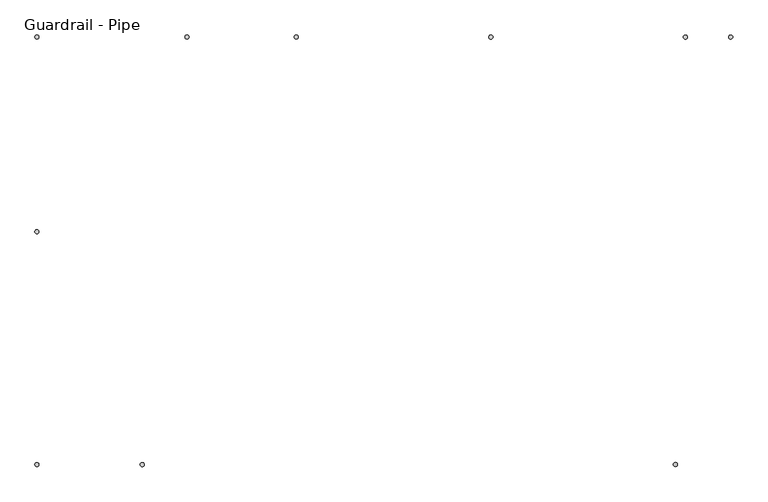
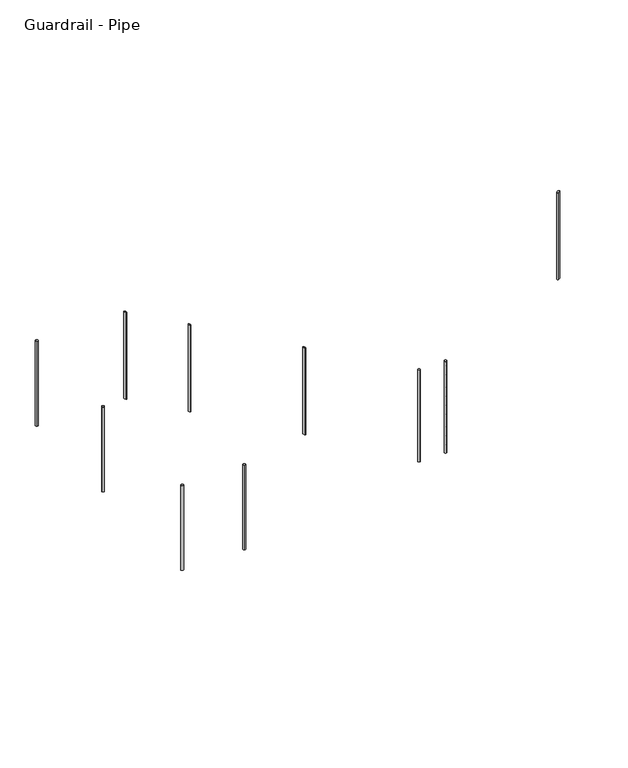
"""IFC4 building model written with IfcOpenShell, lengths in millimetres: railing geometry, Guardrail - Pipe."""

from ifc_helpers import new_model, si_unit, point, frame, frame_2d, origin, place, context, project, spatial, circle_curve, ellipse_curve, trimmed, segment, composite_curve, outline, extrude, source, transform, mapped, element, save
from ifc_brep_helpers import plane_surface, cylinder_surface, advanced_brep


def guardrail_pipe_15556064(model_context):
    return source(origin(), model_context, "Body", "SolidModel", [
        extrude(outline(composite_curve([segment(trimmed(circle_curve(frame_2d((-14610.2112561, 2825.0151259)), 12.7), [point((-14597.5112561, 2825.0151259))], [point((-14622.9112561, 2825.0151259))], False, "CARTESIAN"), True, "CONTINUOUS"), segment(trimmed(circle_curve(frame_2d((-14610.2112561, 2825.0151259)), 12.7), [point((-14622.9112561, 2825.0151259))], [point((-14597.5112561, 2825.0151259))], False, "CARTESIAN"), True, "CONTINUOUS")], self_intersect=False)), frame((0.0, 0.0, 9445.4869565), z_axis=(0.0, 0.0, 1.0), x_axis=(1.0, 0.0, 0.0)), (0.0, 0.0, 1.0), 952.5),
        advanced_brep(
        [(-12985.1109142, 4056.9151259, 10008.6481171), (-12985.1109142, 4056.9151259, 9034.4695437), (-12985.1109142, 4031.5151259, 9034.4695437), (-12985.1109142, 4031.5151259, 10008.6481171)],
        [
            (0, 1),
            (1, 2, ellipse_curve(frame((-12985.1109142, 4044.2151259, 9034.4695437), z_axis=(0.48860650850001475, 0.0, 0.872504257784124), x_axis=(-0.8725042577841241, 0.0, 0.4886065085000147)), 14.5558029, 12.7)),
            (2, 3),
            (3, 0, ellipse_curve(frame((-12985.1109142, 4044.2151259, 10008.6481171), z_axis=(-0.48860650850001314, 0.0, -0.8725042577841249), x_axis=(-0.8725042577841249, 0.0, 0.4886065085000131)), 14.5558029, 12.7)),
            (0, 3, ellipse_curve(frame((-12985.1109142, 4044.2151259, 10008.6481171), z_axis=(-0.48860650850001314, 0.0, -0.8725042577841249), x_axis=(-0.8725042577841249, 0.0, 0.4886065085000131)), 14.5558029, 12.7)),
            (2, 1, ellipse_curve(frame((-12985.1109142, 4044.2151259, 9034.4695437), z_axis=(0.48860650850001475, 0.0, 0.872504257784124), x_axis=(-0.8725042577841241, 0.0, 0.4886065085000147)), 14.5558029, 12.7)),
        ],
        [
            cylinder_surface(frame((-12985.1109142, 4044.2151259, 8805.8695437), z_axis=(0.0, 0.0, 1.0), x_axis=(0.0, -1.0, 0.0)), 12.7),
            plane_surface(frame((-13010.5109142, 4018.8151259, 10022.8722372), z_axis=(0.48860650850001314, 0.0, 0.8725042577841249), x_axis=(0.0, 1.0, 0.0))),
            plane_surface(frame((-12959.7109142, 4018.8151259, 9020.2454237), z_axis=(-0.48860650850001475, 0.0, -0.872504257784124), x_axis=(0.0, 1.0, 0.0))),
        ],
        [
            (0, [[1, 2, 3, 4]]),
            (0, [[-1, 5, -3, 6]]),
            (1, [[-4, -5]]),
            (2, [[-2, -6]]),
        ],
    ),
        advanced_brep(
        [(-11765.9109142, 4056.9151259, 9325.8903542), (-11765.9109142, 4056.9151259, 8351.7117808), (-11765.9109142, 4031.5151259, 8351.7117808), (-11765.9109142, 4031.5151259, 9325.8903542)],
        [
            (0, 1),
            (1, 2, ellipse_curve(frame((-11765.9109142, 4044.2151259, 8351.7117808), z_axis=(0.48860650850001475, 0.0, 0.872504257784124), x_axis=(-0.8725042577841241, 0.0, 0.4886065085000147)), 14.5558029, 12.7)),
            (2, 3),
            (3, 0, ellipse_curve(frame((-11765.9109142, 4044.2151259, 9325.8903542), z_axis=(-0.48860650850001314, 0.0, -0.8725042577841249), x_axis=(-0.8725042577841249, 0.0, 0.4886065085000131)), 14.5558029, 12.7)),
            (0, 3, ellipse_curve(frame((-11765.9109142, 4044.2151259, 9325.8903542), z_axis=(-0.48860650850001314, 0.0, -0.8725042577841249), x_axis=(-0.8725042577841249, 0.0, 0.4886065085000131)), 14.5558029, 12.7)),
            (2, 1, ellipse_curve(frame((-11765.9109142, 4044.2151259, 8351.7117808), z_axis=(0.48860650850001475, 0.0, 0.872504257784124), x_axis=(-0.8725042577841241, 0.0, 0.4886065085000147)), 14.5558029, 12.7)),
        ],
        [
            cylinder_surface(frame((-11765.9109142, 4044.2151259, 8123.1117808), z_axis=(0.0, 0.0, 1.0), x_axis=(0.0, -1.0, 0.0)), 12.7),
            plane_surface(frame((-11791.3109142, 4018.8151259, 9340.1144743), z_axis=(0.48860650850001314, 0.0, 0.8725042577841249), x_axis=(0.0, 1.0, 0.0))),
            plane_surface(frame((-11740.5109142, 4018.8151259, 8337.4876608), z_axis=(-0.48860650850001475, 0.0, -0.872504257784124), x_axis=(0.0, 1.0, 0.0))),
        ],
        [
            (0, [[1, 2, 3, 4]]),
            (0, [[-1, 5, -3, 6]]),
            (1, [[-4, -5]]),
            (2, [[-2, -6]]),
        ],
    ),
        extrude(outline(composite_curve([segment(trimmed(circle_curve(frame_2d((-13949.8112561, 1367.0404418)), 12.7), [point((-13949.8112561, 1379.7404418))], [point((-13949.8112561, 1354.3404418))], False, "CARTESIAN"), True, "CONTINUOUS"), segment(trimmed(circle_curve(frame_2d((-13949.8112561, 1367.0404418)), 12.7), [point((-13949.8112561, 1354.3404418))], [point((-13949.8112561, 1379.7404418))], False, "CARTESIAN"), True, "CONTINUOUS")], self_intersect=False)), frame((0.0, 0.0, 9445.4869565), z_axis=(0.0, 0.0, 1.0), x_axis=(1.0, 0.0, 0.0)), (0.0, 0.0, 1.0), 952.5),
        extrude(outline(composite_curve([segment(trimmed(circle_curve(frame_2d((-14610.2112561, 1367.0404418)), 12.7), [point((-14597.5112561, 1367.0404418))], [point((-14622.9112561, 1367.0404418))], False, "CARTESIAN"), True, "CONTINUOUS"), segment(trimmed(circle_curve(frame_2d((-14610.2112561, 1367.0404418)), 12.7), [point((-14622.9112561, 1367.0404418))], [point((-14597.5112561, 1367.0404418))], False, "CARTESIAN"), True, "CONTINUOUS")], self_intersect=False)), frame((0.0, 0.0, 9445.4869565), z_axis=(0.0, 0.0, 1.0), x_axis=(1.0, 0.0, 0.0)), (0.0, 0.0, 1.0), 952.5),
        extrude(outline(composite_curve([segment(trimmed(circle_curve(frame_2d((-14610.2112561, 4044.2151259)), 12.7), [point((-14610.2112561, 4031.5151259))], [point((-14610.2112561, 4056.9151259))], False, "CARTESIAN"), True, "CONTINUOUS"), segment(trimmed(circle_curve(frame_2d((-14610.2112561, 4044.2151259)), 12.7), [point((-14610.2112561, 4056.9151259))], [point((-14610.2112561, 4031.5151259))], False, "CARTESIAN"), True, "CONTINUOUS")], self_intersect=False)), frame((0.0, 0.0, 9445.4869565), z_axis=(0.0, 0.0, 1.0), x_axis=(1.0, 0.0, 0.0)), (0.0, 0.0, 1.0), 952.5),
        advanced_brep(
        [(-13670.4112561, 4056.9151259, 10392.4195478), (-13670.4112561, 4056.9151259, 9418.2409745), (-13670.4112561, 4031.5151259, 9418.2409745), (-13670.4112561, 4031.5151259, 10392.4195478)],
        [
            (0, 1),
            (1, 2, ellipse_curve(frame((-13670.4112561, 4044.2151259, 9418.2409745), z_axis=(0.48860650850001475, 0.0, 0.872504257784124), x_axis=(-0.8725042577841241, 0.0, 0.4886065085000147)), 14.5558029, 12.7)),
            (2, 3),
            (3, 0, ellipse_curve(frame((-13670.4112561, 4044.2151259, 10392.4195478), z_axis=(-0.48860650850001314, 0.0, -0.8725042577841249), x_axis=(-0.8725042577841249, 0.0, 0.4886065085000131)), 14.5558029, 12.7)),
            (0, 3, ellipse_curve(frame((-13670.4112561, 4044.2151259, 10392.4195478), z_axis=(-0.48860650850001314, 0.0, -0.8725042577841249), x_axis=(-0.8725042577841249, 0.0, 0.4886065085000131)), 14.5558029, 12.7)),
            (2, 1, ellipse_curve(frame((-13670.4112561, 4044.2151259, 9418.2409745), z_axis=(0.48860650850001475, 0.0, 0.872504257784124), x_axis=(-0.8725042577841241, 0.0, 0.4886065085000147)), 14.5558029, 12.7)),
        ],
        [
            cylinder_surface(frame((-13670.4112561, 4044.2151259, 9189.6409745), z_axis=(0.0, 0.0, 1.0), x_axis=(0.0, -1.0, 0.0)), 12.7),
            plane_surface(frame((-13695.8112561, 4018.8151259, 10406.6436679), z_axis=(0.48860650850001314, 0.0, 0.8725042577841249), x_axis=(0.0, 1.0, 0.0))),
            plane_surface(frame((-13645.0112561, 4018.8151259, 9404.0168544), z_axis=(-0.48860650850001475, 0.0, -0.872504257784124), x_axis=(0.0, 1.0, 0.0))),
        ],
        [
            (0, [[1, 2, 3, 4]]),
            (0, [[-1, 5, -3, 6]]),
            (1, [[-4, -5]]),
            (2, [[-2, -6]]),
        ],
    ),
        extrude(outline(composite_curve([segment(trimmed(circle_curve(frame_2d((-10546.7109142, 4044.2151259)), 12.7), [point((-10546.7109142, 4031.5151259))], [point((-10546.7109142, 4056.9151259))], False, "CARTESIAN"), True, "CONTINUOUS"), segment(trimmed(circle_curve(frame_2d((-10546.7109142, 4044.2151259)), 12.7), [point((-10546.7109142, 4056.9151259))], [point((-10546.7109142, 4031.5151259))], False, "CARTESIAN"), True, "CONTINUOUS")], self_intersect=False)), frame((0.0, 0.0, 7620.0), z_axis=(0.0, 0.0, 1.0), x_axis=(1.0, 0.0, 0.0)), (0.0, 0.0, 1.0), 1028.7),
        advanced_brep(
        [(-10609.7112561, 1354.3404418, 12293.3324549), (-10609.7112561, 1354.3404418, 11320.1218565), (-10609.7112561, 1379.7404418, 11320.1218565), (-10609.7112561, 1379.7404418, 12293.3324549)],
        [
            (0, 1),
            (1, 2, ellipse_curve(frame((-10609.7112561, 1367.0404418, 11320.1218565), z_axis=(-0.4946584702428729, 0.0, 0.8690874511906043), x_axis=(0.8690874511906043, 0.0, 0.4946584702428727)), 14.6130289, 12.7)),
            (2, 3),
            (3, 0, ellipse_curve(frame((-10609.7112561, 1367.0404418, 12293.3324549), z_axis=(0.49465847024286946, 0.0, -0.8690874511906063), x_axis=(0.8690874511906064, 0.0, 0.49465847024286896)), 14.6130289, 12.7)),
            (0, 3, ellipse_curve(frame((-10609.7112561, 1367.0404418, 12293.3324549), z_axis=(0.49465847024286946, 0.0, -0.8690874511906063), x_axis=(0.8690874511906064, 0.0, 0.49465847024286896)), 14.6130289, 12.7)),
            (2, 1, ellipse_curve(frame((-10609.7112561, 1367.0404418, 11320.1218565), z_axis=(-0.4946584702428729, 0.0, 0.8690874511906043), x_axis=(0.8690874511906043, 0.0, 0.4946584702428727)), 14.6130289, 12.7)),
        ],
        [
            cylinder_surface(frame((-10609.7112561, 1367.0404418, 11091.5218565), z_axis=(0.0, 0.0, 1.0), x_axis=(0.0, 1.0, 0.0)), 12.7),
            plane_surface(frame((-10584.3112561, 1392.4404418, 12307.7893719), z_axis=(-0.49465847024286946, 0.0, 0.8690874511906063), x_axis=(0.0, -1.0, 0.0))),
            plane_surface(frame((-10635.1112561, 1392.4404418, 11305.6649395), z_axis=(0.4946584702428729, 0.0, -0.8690874511906043), x_axis=(0.0, -1.0, 0.0))),
        ],
        [
            (0, [[1, 2, 3, 4]]),
            (0, [[-1, 5, -3, 6]]),
            (1, [[-4, -5]]),
            (2, [[-2, -6]]),
        ],
    ),
        extrude(outline(composite_curve([segment(trimmed(circle_curve(frame_2d((-10263.7564309, 4044.2151259)), 12.7), [point((-10263.7564309, 4031.5151259))], [point((-10263.7564309, 4056.9151259))], False, "CARTESIAN"), True, "CONTINUOUS"), segment(trimmed(circle_curve(frame_2d((-10263.7564309, 4044.2151259)), 12.7), [point((-10263.7564309, 4056.9151259))], [point((-10263.7564309, 4031.5151259))], False, "CARTESIAN"), True, "CONTINUOUS")], self_intersect=False)), frame((0.0, 0.0, 7620.0), z_axis=(0.0, 0.0, 1.0), x_axis=(1.0, 0.0, 0.0)), (0.0, 0.0, 1.0), 1028.7),
    ])


if __name__ == "__main__":
    model = new_model("IFC4")
    model_context = context("Model", 3, world=origin())
    ifc_project = project(units=[si_unit("LENGTHUNIT", "METRE", prefix="MILLI")], contexts=[model_context])
    site = spatial("IfcSite", under=ifc_project)
    building = spatial("IfcBuilding", under=site)
    placement = place(None, origin())
    guardrail_pipe_shape = guardrail_pipe_15556064(model_context)
    element("IfcRailing", 1, ObjectType="Guardrail - Pipe", at=placement, inside=building, context=model_context, shape_type="MappedRepresentation", body=[
        mapped(guardrail_pipe_shape, transform((0.0, 0.0, 0.0), x_axis=(1.0, 0.0, 0.0), y_axis=(0.0, 1.0, 0.0), z_axis=(0.0, 0.0, 1.0))),
    ])
    save(model, "model.ifc")
